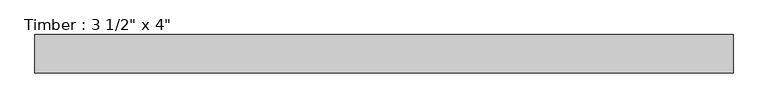
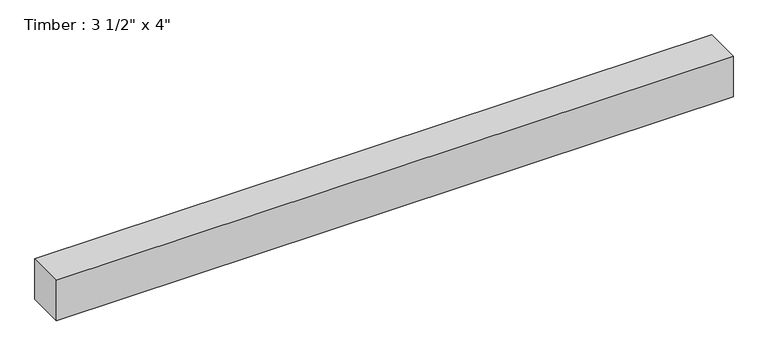
"""IFC4 building model written with IfcOpenShell, lengths in millimetres: beam geometry."""

from ifc_helpers import new_model, si_unit, frame, origin, place, context, project, spatial, polyline, outline, extrude, source, transform, mapped, element, save


def beam_0b5f1a3e(model_context):
    return source(origin(), model_context, "Body", "SweptSolid", [
        extrude(outline(polyline([(806.6354273, -44.45), (-806.6354273, -44.45), (-806.6354273, 44.45), (806.6354273, 44.45), (806.6354273, -44.45)])), frame((0.0, 0.0, -50.8), z_axis=(0.0, 0.0, 1.0), x_axis=(1.0, 0.0, 0.0)), (0.0, 0.0, 1.0), 101.6),
    ])


if __name__ == "__main__":
    model = new_model("IFC4")
    model_context = context("Model", 3, world=origin())
    ifc_project = project(units=[si_unit("LENGTHUNIT", "METRE", prefix="MILLI")], contexts=[model_context])
    site = spatial("IfcSite", under=ifc_project)
    building = spatial("IfcBuilding", under=site)
    placement = place(None, origin())
    beam_shape = beam_0b5f1a3e(model_context)
    element("IfcBeam", 1, ObjectType="Timber : 3 1/2\" x 4\"", at=placement, inside=building, context=model_context, shape_type="MappedRepresentation", body=[
        mapped(beam_shape, transform((0.0, 0.0, 0.0), x_axis=(1.0, 0.0, 0.0), y_axis=(0.0, 1.0, 0.0), z_axis=(0.0, 0.0, 1.0))),
    ])
    save(model, "model.ifc")
